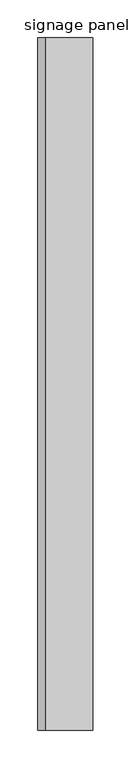
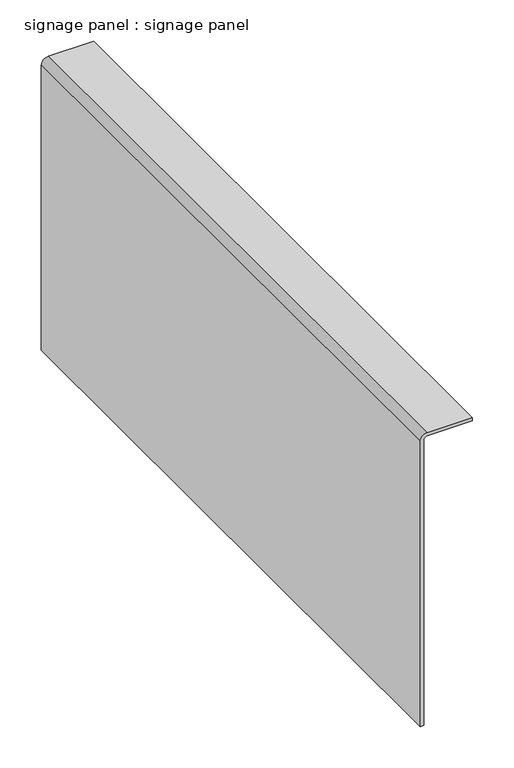
"""IFC4 building model written with IfcOpenShell, lengths in millimetres: proxy geometry, signage panel : signage panel."""

import ifcopenshell
import ifcopenshell.guid

model = None  # the IFC model being written
_history = None  # IfcOwnerHistory: only IFC2X3 demands one
_inside = {}  # id of a spatial element -> (the spatial element, [elements in it])
_under = {}  # id of a project, library or spatial element -> (it, [spatial elements below it])
_declared = {}  # id of a project -> (the project, [libraries it declares])
_typed = {}  # id of a type object -> (the type object, [elements of that type])
_made_of = {}  # id of a material, layer set ... -> (it, [elements and type objects made of it])


def new_model(schema):
    """Start an empty IFC model of exactly this schema.

    Asked for "IFC4X3", IfcOpenShell would pick the latest addendum, in which some entities
    have other attributes; the version numbers below select the first issue.
    IFC2X3 requires an IfcOwnerHistory on every rooted entity: one is made here for all.
    """
    global model, _history
    if schema == "IFC4X3":
        model = ifcopenshell.file(schema_version=(4, 3, 0, 0))
    else:
        model = ifcopenshell.file(schema=schema)
    _inside.clear()
    _under.clear()
    _declared.clear()
    _typed.clear()
    _made_of.clear()
    _history = None
    if model.schema == "IFC2X3":
        org = make("IfcOrganization", Name="unknown")
        user = make(
            "IfcPersonAndOrganization",
            ThePerson=make("IfcPerson", FamilyName="unknown"),
            TheOrganization=org,
        )
        app = make(
            "IfcApplication",
            ApplicationDeveloper=org,
            Version="unknown",
            ApplicationFullName="unknown",
            ApplicationIdentifier="unknown",
        )
        _history = make(
            "IfcOwnerHistory",
            OwningUser=user,
            OwningApplication=app,
            ChangeAction="ADDED",
            CreationDate=0,
        )
    return model


def make(cls, **values):
    """One entity of the class cls with the attributes given. An attribute that is None is left unset."""
    return model.create_entity(
        cls, **{name: value for name, value in values.items() if value is not None}
    )


def rooted(cls, **values):
    """An entity with a GlobalId (a new one), such as an element, a storey or a relation."""
    return make(cls, GlobalId=ifcopenshell.guid.new(), OwnerHistory=_history, **values)


def si_unit(unit_type, name, prefix=None):
    """IfcSIUnit, for example si_unit("LENGTHUNIT", "METRE", prefix="MILLI")."""
    return make("IfcSIUnit", UnitType=unit_type, Prefix=prefix, Name=name)


def assignment(units):
    """IfcUnitAssignment: the units of a project."""
    return None if units is None else make("IfcUnitAssignment", Units=units)


def point(xyz):
    """IfcCartesianPoint."""
    return None if xyz is None else make("IfcCartesianPoint", Coordinates=xyz)


def direction(xyz):
    """IfcDirection."""
    return None if xyz is None else make("IfcDirection", DirectionRatios=xyz)


def frame(location, z_axis=None, x_axis=None):
    """IfcAxis2Placement3D, a coordinate frame: its origin and axes. An axis left out is left unset."""
    return make(
        "IfcAxis2Placement3D",
        Location=point(location),
        Axis=direction(z_axis),
        RefDirection=direction(x_axis),
    )


def frame_2d(location, x_axis=None):
    """IfcAxis2Placement2D, a coordinate frame in the plane: its origin and x axis."""
    return make(
        "IfcAxis2Placement2D", Location=point(location), RefDirection=direction(x_axis)
    )


def origin():
    """The frame at (0, 0, 0) with its axes left unset."""
    return frame((0.0, 0.0, 0.0))


def place(relative_to, where):
    """IfcLocalPlacement: puts the frame where relative to a parent placement (None: the world)."""
    return make(
        "IfcLocalPlacement", PlacementRelTo=relative_to, RelativePlacement=where
    )


def context(
    kind, dimensions, precision=None, world=None, true_north=None, identifier=None
):
    """IfcGeometricRepresentationContext, for example the 3D "Model" context."""
    return make(
        "IfcGeometricRepresentationContext",
        ContextIdentifier=identifier,
        ContextType=kind,
        CoordinateSpaceDimension=dimensions,
        Precision=precision,
        WorldCoordinateSystem=world,
        TrueNorth=true_north,
    )


def project(units=None, contexts=None):
    """IfcProject with its units and contexts."""
    return rooted(
        "IfcProject",
        Name="project",
        RepresentationContexts=contexts,
        UnitsInContext=assignment(units),
    )


def spatial(cls, under=None, at=None, **own):
    """A site, building, storey or space (cls), placed at a placement, below another one or the project."""
    s = rooted(cls, ObjectPlacement=at, **own)
    if under is not None:
        _under.setdefault(under.id(), (under, []))[1].append(s)
    return s


def polyline(points):
    """IfcPolyline through the points."""
    return make("IfcPolyline", Points=[point(p) for p in points])


def circle_curve(where, radius):
    """IfcCircle in the frame where."""
    return make("IfcCircle", Position=where, Radius=radius)


def trimmed(basis, trim1, trim2, sense, master):
    """IfcTrimmedCurve: the piece of a basis curve between two trims."""
    return make(
        "IfcTrimmedCurve",
        BasisCurve=basis,
        Trim1=trim1,
        Trim2=trim2,
        SenseAgreement=sense,
        MasterRepresentation=master,
    )


def segment(curve, same_sense, transition):
    """IfcCompositeCurveSegment."""
    return make(
        "IfcCompositeCurveSegment",
        Transition=transition,
        SameSense=same_sense,
        ParentCurve=curve,
    )


def composite_curve(segments, self_intersect=None):
    """IfcCompositeCurve: segments joined end to end."""
    return make("IfcCompositeCurve", Segments=segments, SelfIntersect=self_intersect)


def outline(outer, holes=None, kind="AREA"):
    """IfcArbitraryClosedProfileDef: a profile drawn as a closed curve; with holes, ...WithVoids."""
    if holes is None:
        return make("IfcArbitraryClosedProfileDef", ProfileType=kind, OuterCurve=outer)
    return make(
        "IfcArbitraryProfileDefWithVoids",
        ProfileType=kind,
        OuterCurve=outer,
        InnerCurves=holes,
    )


def extrude(swept, where, along, depth):
    """IfcExtrudedAreaSolid: the profile swept, set in the frame where, extruded along a direction by depth."""
    return make(
        "IfcExtrudedAreaSolid",
        SweptArea=swept,
        Position=where,
        ExtrudedDirection=direction(along),
        Depth=depth,
    )


def shape(context_of_items, identifier, shape_type, items):
    """IfcShapeRepresentation: the items that make up one representation, for example the "Body"."""
    return make(
        "IfcShapeRepresentation",
        ContextOfItems=context_of_items,
        RepresentationIdentifier=identifier,
        RepresentationType=shape_type,
        Items=items,
    )


def source(mapping_origin, context_of_items, identifier, shape_type, items):
    """IfcRepresentationMap: a shape defined once, which mapped items show again and again."""
    return make(
        "IfcRepresentationMap",
        MappingOrigin=mapping_origin,
        MappedRepresentation=shape(context_of_items, identifier, shape_type, items),
    )


def transform(
    local_origin,
    x_axis=None,
    y_axis=None,
    z_axis=None,
    scale=None,
    scale2=None,
    scale3=None,
    uniform=True,
):
    """IfcCartesianTransformationOperator3D, or its non-uniform kind. x_axis, y_axis, z_axis: its Axis1, 2, 3."""
    if uniform:
        return make(
            "IfcCartesianTransformationOperator3D",
            Axis1=direction(x_axis),
            Axis2=direction(y_axis),
            LocalOrigin=point(local_origin),
            Scale=scale,
            Axis3=direction(z_axis),
        )
    return make(
        "IfcCartesianTransformationOperator3DnonUniform",
        Axis1=direction(x_axis),
        Axis2=direction(y_axis),
        LocalOrigin=point(local_origin),
        Scale=scale,
        Axis3=direction(z_axis),
        Scale2=scale2,
        Scale3=scale3,
    )


def mapped(mapping_source, mapping_target):
    """IfcMappedItem: shows the shape of a source again, moved by a transform."""
    return make(
        "IfcMappedItem", MappingSource=mapping_source, MappingTarget=mapping_target
    )


def made_of(thing, what):
    """Note that an element or type object is made of a material, layer set ...; save() writes the relation."""
    if what is not None:
        _made_of.setdefault(what.id(), (what, []))[1].append(thing)
    return thing


def element(
    cls,
    number,
    at=None,
    inside=None,
    cuts=None,
    type_object=None,
    material=None,
    context=None,
    identifier="Body",
    shape_type=None,
    held_by="IfcProductDefinitionShape",
    body=None,
    shapes=None,
    **own,
):
    """One element of the class cls, such as IfcWall. Its Tag is "e" and its number.

    at: its placement. inside: the storey or other place that contains it. cuts: it is an
    opening in that element (IfcRelVoidsElement). A single representation is given by context,
    identifier, shape_type and body (its items); several are given by shapes. held_by: the class
    of the entity that holds the representations. save() writes the other relations.
    """
    e = rooted(cls, Tag="e%d" % number, ObjectPlacement=at, **own)
    if body is not None:
        shapes = [shape(context, identifier, shape_type, body)]
    if shapes is not None:
        e.Representation = make(held_by, Representations=shapes)
    if inside is not None:
        _inside.setdefault(inside.id(), (inside, []))[1].append(e)
    if cuts is not None:
        rooted(
            "IfcRelVoidsElement", RelatingBuildingElement=cuts, RelatedOpeningElement=e
        )
    if type_object is not None:
        _typed.setdefault(type_object.id(), (type_object, []))[1].append(e)
    return made_of(e, material)


def aggregate(whole, parts):
    """IfcRelAggregates: a whole, such as a stair, and the parts it consists of."""
    return rooted("IfcRelAggregates", RelatingObject=whole, RelatedObjects=parts)


def save(model, path):
    """Write the relations noted so far, then the file.

    IfcRelAggregates (storeys below a building ...), IfcRelContainedInSpatialStructure (elements
    in a storey), IfcRelDefinesByType, IfcRelAssociatesMaterial and IfcRelDeclares: one each for
    every whole, place, type object, material and project.
    """
    for whole, parts in _under.values():
        aggregate(whole, parts)
    for where, things in _inside.values():
        rooted(
            "IfcRelContainedInSpatialStructure",
            RelatedElements=things,
            RelatingStructure=where,
        )
    for kind, things in _typed.values():
        rooted("IfcRelDefinesByType", RelatedObjects=things, RelatingType=kind)
    for what, things in _made_of.values():
        rooted("IfcRelAssociatesMaterial", RelatedObjects=things, RelatingMaterial=what)
    for by, libraries in _declared.values():
        rooted("IfcRelDeclares", RelatingContext=by, RelatedDefinitions=libraries)
    model.write(path)


def signage_panel_signage_panel_643ae6f3(model_context):
    return source(origin(), model_context, "Body", "SweptSolid", [
        extrude(outline(composite_curve([segment(polyline([(2960.3939616, 39565.0875692), (2960.3939616, 39569.6543746), (3380.4301616, 39569.6543746)]), True, "CONTINUOUS"), segment(trimmed(circle_curve(frame_2d((3380.4301616, 39574.5899766)), 4.935602), [point((3380.4301616, 39569.6543746))], [point((3385.3657636, 39574.5899766))], True, "CARTESIAN"), True, "CONTINUOUS"), segment(polyline([(3385.3657636, 39574.5899766), (3385.3657636, 39637.867736), (3389.9325691, 39637.867736), (3389.9325691, 39574.5899766)]), True, "CONTINUOUS"), segment(trimmed(circle_curve(frame_2d((3380.4301616, 39574.5899766)), 9.5024075), [point((3389.9325691, 39574.5899766))], [point((3380.4301616, 39565.0875692))], False, "CARTESIAN"), True, "CONTINUOUS"), segment(polyline([(3380.4301616, 39565.0875692), (2960.3939616, 39565.0875692)]), True, "CONTINUOUS")], self_intersect=False)), frame((0.0, -25196.3529946, 0.0), z_axis=(0.0, 1.0, 0.0), x_axis=(0.0, 0.0, 1.0)), (0.0, 0.0, 1.0), 914.4),
    ])


if __name__ == "__main__":
    model = new_model("IFC4")
    model_context = context("Model", 3, world=origin())
    ifc_project = project(units=[si_unit("LENGTHUNIT", "METRE", prefix="MILLI")], contexts=[model_context])
    site = spatial("IfcSite", under=ifc_project)
    building = spatial("IfcBuilding", under=site)
    placement = place(None, origin())
    signage_panel_signage_panel_shape = signage_panel_signage_panel_643ae6f3(model_context)
    element("IfcBuildingElementProxy", 1, Name="signage panel : signage panel", ObjectType="signage panel : signage panel", at=placement, inside=building, context=model_context, shape_type="MappedRepresentation", body=[
        mapped(signage_panel_signage_panel_shape, transform((0.0, 0.0, 0.0), x_axis=(1.0, 0.0, 0.0), y_axis=(0.0, 1.0, 0.0), z_axis=(0.0, 0.0, 1.0))),
    ])
    save(model, "model.ifc")
